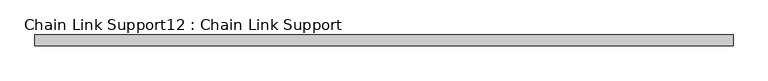
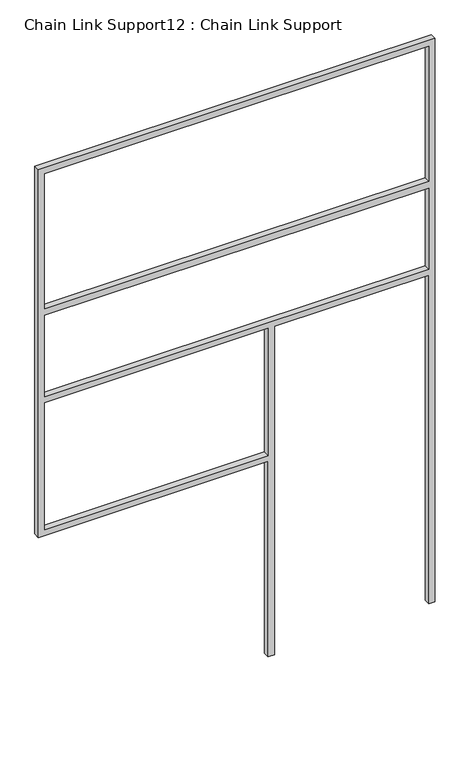
"""IFC4 building model written with IfcOpenShell, lengths in millimetres: proxy geometry, Chain Link Support12 : Chain Link Support."""

from ifc_helpers import new_model, si_unit, frame, origin, place, context, project, spatial, polyline, outline, extrude, source, transform, mapped, element, save


def chain_link_support12_chain_link_support_385f11f0(model_context):
    return source(origin(), model_context, "Body", "SweptSolid", [
        extrude(outline(polyline([(3657.6, -19539.3243371), (3657.6, -21977.7243371), (1270.0, -21977.7243371), (1270.0, -20564.8493371), (0.0, -20564.8493371), (0.0, -20526.7493371), (2133.6, -20526.7493371), (2133.6, -19577.4243371), (0.0, -19577.4243371), (0.0, -19539.3243371), (3657.6, -19539.3243371)]), holes=[polyline([(2171.7, -19577.4243371), (2171.7, -21939.6243371), (2698.75, -21939.6243371), (2698.75, -19577.4243371), (2171.7, -19577.4243371)]), polyline([(1308.1, -21939.6243371), (2133.6, -21939.6243371), (2133.6, -20564.8493371), (1308.1, -20564.8493371), (1308.1, -21939.6243371)]), polyline([(2743.2, -19577.4243371), (2743.2, -21939.6243371), (3619.5, -21939.6243371), (3619.5, -19577.4243371), (2743.2, -19577.4243371)])]), frame((0.0, -3998.1978765, 0.0), z_axis=(0.0, 1.0, 0.0), x_axis=(0.0, 0.0, 1.0)), (0.0, 0.0, 1.0), 38.1),
    ])


if __name__ == "__main__":
    model = new_model("IFC4")
    model_context = context("Model", 3, world=origin())
    ifc_project = project(units=[si_unit("LENGTHUNIT", "METRE", prefix="MILLI")], contexts=[model_context])
    site = spatial("IfcSite", under=ifc_project)
    building = spatial("IfcBuilding", under=site)
    placement = place(None, origin())
    chain_link_support12_chain_link_support_shape = chain_link_support12_chain_link_support_385f11f0(model_context)
    element("IfcBuildingElementProxy", 1, Name="Chain Link Support12 : Chain Link Support", ObjectType="Chain Link Support12 : Chain Link Support", at=placement, inside=building, context=model_context, shape_type="MappedRepresentation", body=[
        mapped(chain_link_support12_chain_link_support_shape, transform((0.0, 0.0, 0.0), x_axis=(1.0, 0.0, 0.0), y_axis=(0.0, 1.0, 0.0), z_axis=(0.0, 0.0, 1.0))),
    ])
    save(model, "model.ifc")
